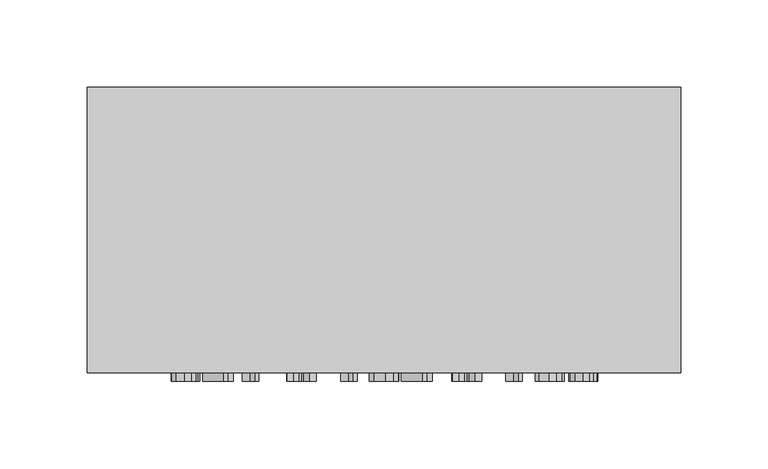
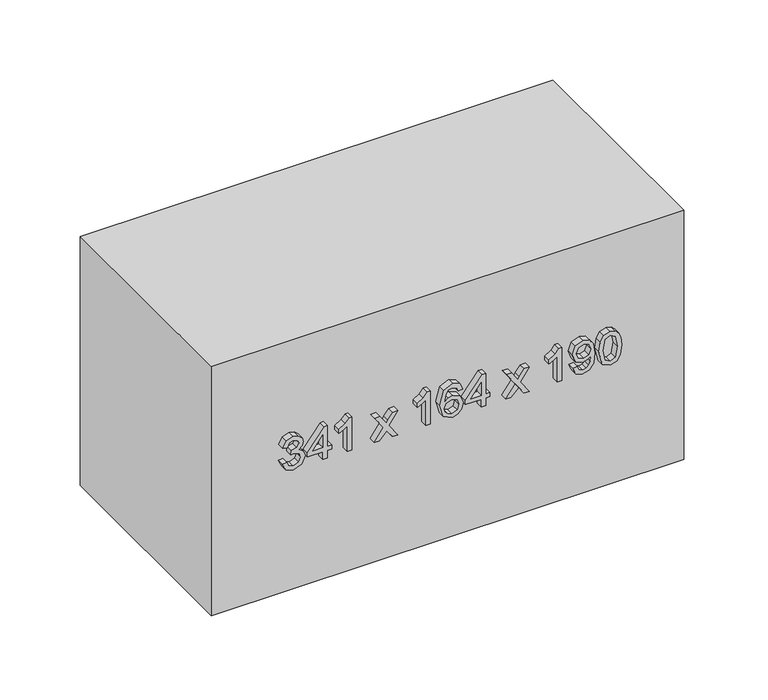
"""IFC4 building model written with IfcOpenShell, lengths in millimetres: furniture geometry."""

from ifc_helpers import new_model, si_unit, frame, origin, origin_with_axes, place, context, project, spatial, polyline, outline, extrude, source, transform, mapped, element, save


def furniture_fb84c93d(model_context):
    return source(origin(), model_context, "Body", "SweptSolid", [
        extrude(outline(polyline([(101.6709268, -77.5345978), (96.5757612, -75.0391316), (94.6075925, -69.5331644), (96.9129864, -63.4569801), (102.5293182, -61.0534844), (106.6128083, -62.2552323), (108.7587866, -65.6765349), (110.8373199, -63.1013609), (113.7313249, -62.2307068), (116.8981758, -63.1473461), (119.2526205, -65.7960965), (120.1140775, -69.5822154), (118.3666381, -74.5731478), (113.4431507, -77.1421904), (113.0507432, -74.0029307), (115.9937992, -72.4639577), (116.9748178, -69.4718508), (116.0029962, -66.5165321), (113.5473839, -65.3699665), (110.7760062, -66.9518591), (109.9114835, -71.0169551), (106.7722238, -71.366443), (107.1155804, -69.1652824), (105.8310591, -65.5968271), (102.5845005, -64.1927441), (99.1386724, -65.6090898), (97.7468522, -69.4227998), (98.7585277, -72.6632271), (102.0633343, -74.3953381), (101.6709268, -77.5345978)])), frame((0.0, -169.0, 0.0), z_axis=(0.0, 1.0, 0.0), x_axis=(0.0, 0.0, 1.0)), (0.0, 0.0, 1.0), 5.0),
        extrude(outline(polyline([(95.0, -48.1040382), (95.0, -44.9647785), (100.8861119, -44.9647785), (100.8861119, -41.8255188), (104.0253716, -41.8255188), (104.0253716, -44.9647785), (119.7216701, -44.9647785), (119.7216701, -47.3192233), (104.0253716, -59.4838546), (100.8861119, -59.4838546), (100.8861119, -48.1040382), (95.0, -48.1040382)]), holes=[polyline([(104.0253716, -48.1040382), (104.0253716, -55.6210937), (113.7251936, -48.1040382), (104.0253716, -48.1040382)])]), frame((0.0, -169.0, 0.0), z_axis=(0.0, 1.0, 0.0), x_axis=(0.0, 0.0, 1.0)), (0.0, 0.0, 1.0), 5.0),
        extrude(outline(polyline([(95.0, -27.3064428), (120.1140775, -27.3064428), (120.1140775, -29.3297937), (116.7724827, -32.1226312), (113.8355582, -36.7242218), (110.8679767, -36.7242218), (112.452935, -33.4194152), (114.5713221, -30.4457024), (95.0, -30.4457024), (95.0, -27.3064428)])), frame((0.0, -169.0, 0.0), z_axis=(0.0, 1.0, 0.0), x_axis=(0.0, 0.0, 1.0)), (0.0, 0.0, 1.0), 5.0),
        extrude(outline(polyline([(95.0, -11.2177368), (95.0, -7.440815), (100.5734122, -1.9655047), (95.0, 1.8788622), (95.0, 5.655784), (104.2706263, -0.7331), (113.4431507, 5.9010387), (113.4431507, 2.1241169), (108.648422, -1.3462366), (106.9439021, -2.5786413), (109.0285667, -4.0011184), (113.4431507, -7.0484076), (113.4431507, -10.8253294), (104.2706263, -4.5100218), (95.0, -11.2177368)])), frame((0.0, -169.0, 0.0), z_axis=(0.0, 1.0, 0.0), x_axis=(0.0, 0.0, 1.0)), (0.0, 0.0, 1.0), 5.0),
        extrude(outline(polyline([(95.0, 29.2002317), (120.1140775, 29.2002317), (120.1140775, 27.1768807), (116.7724827, 24.3840433), (113.8355582, 19.7824526), (110.8679767, 19.7824526), (112.452935, 23.0872592), (114.5713221, 26.060972), (95.0, 26.060972), (95.0, 29.2002317)])), frame((0.0, -169.0, 0.0), z_axis=(0.0, 1.0, 0.0), x_axis=(0.0, 0.0, 1.0)), (0.0, 0.0, 1.0), 5.0),
        extrude(outline(polyline([(113.4431507, 52.7446794), (118.3421126, 50.4270228), (120.1140775, 45.4667473), (117.2507293, 39.0104182), (106.7231729, 36.263566), (97.4280212, 38.7375724), (94.6075925, 45.1356535), (95.6713846, 49.2498004), (98.7370679, 52.1008859), (103.0688784, 53.1370869), (108.8507571, 50.9359263), (111.0887059, 45.6016373), (110.2701685, 42.1711377), (107.7655052, 39.4028257), (113.3603772, 40.2949395), (116.2145284, 42.4378522), (116.9748178, 45.2705435), (115.6688368, 48.4159346), (113.0507432, 49.6054197), (113.4431507, 52.7446794)]), holes=[polyline([(103.1179294, 39.4028257), (106.615874, 40.9632585), (107.9494462, 44.7616401), (106.615874, 48.6090726), (102.9646452, 49.9978272), (99.1509352, 48.5906785), (97.7468522, 44.8903988), (98.4243682, 42.0607731), (100.3986683, 40.1293926), (103.1179294, 39.4028257)])]), frame((0.0, -169.0, 0.0), z_axis=(0.0, 1.0, 0.0), x_axis=(0.0, 0.0, 1.0)), (0.0, 0.0, 1.0), 5.0),
        extrude(outline(polyline([(95.0, 66.0865331), (95.0, 69.2257928), (100.8861119, 69.2257928), (100.8861119, 72.3650525), (104.0253716, 72.3650525), (104.0253716, 69.2257928), (119.7216701, 69.2257928), (119.7216701, 66.871348), (104.0253716, 54.7067167), (100.8861119, 54.7067167), (100.8861119, 66.0865331), (95.0, 66.0865331)]), holes=[polyline([(104.0253716, 66.0865331), (104.0253716, 58.5694777), (113.7251936, 66.0865331), (104.0253716, 66.0865331)])]), frame((0.0, -169.0, 0.0), z_axis=(0.0, 1.0, 0.0), x_axis=(0.0, 0.0, 1.0)), (0.0, 0.0, 1.0), 5.0),
        extrude(outline(polyline([(95.0, 83.7448689), (95.0, 87.5217907), (100.5734122, 92.997101), (95.0, 96.8414679), (95.0, 100.6183897), (104.2706263, 94.2295057), (113.4431507, 100.8636444), (113.4431507, 97.0867225), (108.648422, 93.6163691), (106.9439021, 92.3839644), (109.0285667, 90.9614873), (113.4431507, 87.9141981), (113.4431507, 84.1372763), (104.2706263, 90.4525839), (95.0, 83.7448689)])), frame((0.0, -169.0, 0.0), z_axis=(0.0, 1.0, 0.0), x_axis=(0.0, 0.0, 1.0)), (0.0, 0.0, 1.0), 5.0),
        extrude(outline(polyline([(95.0, 124.1628374), (120.1140775, 124.1628374), (120.1140775, 122.1394864), (116.7724827, 119.3466489), (113.8355582, 114.7450583), (110.8679767, 114.7450583), (112.452935, 118.0498649), (114.5713221, 121.0235777), (95.0, 121.0235777), (95.0, 124.1628374)])), frame((0.0, -169.0, 0.0), z_axis=(0.0, 1.0, 0.0), x_axis=(0.0, 0.0, 1.0)), (0.0, 0.0, 1.0), 5.0),
        extrude(outline(polyline([(101.2785194, 132.0109866), (96.3580977, 134.2611982), (94.6075925, 139.0865837), (96.0913833, 143.9334289), (100.410931, 147.0512289), (108.0352854, 148.0996925), (115.0618315, 147.0481632), (118.8019651, 143.9702171), (120.1140775, 139.4973852), (117.8148151, 133.865725), (111.7447621, 131.6185792), (105.8647816, 133.7614918), (103.6329642, 139.0068759), (104.5465378, 142.4496382), (106.3123714, 144.978827), (102.6703396, 144.5251058), (99.9418815, 143.4981019), (98.3446605, 141.7751879), (97.7468522, 139.2337365), (98.6757543, 136.5604606), (101.6709268, 135.1502463), (101.2785194, 132.0109866)]), holes=[polyline([(111.8183385, 144.9604329), (108.1119274, 143.5410215), (106.7722238, 139.9204495), (108.1119274, 136.1496591), (111.591478, 134.7578389), (115.4756987, 136.2293668), (116.9748178, 140.0062887), (115.5829976, 143.6054008), (111.8183385, 144.9604329)])]), frame((0.0, -169.0, 0.0), z_axis=(0.0, 1.0, 0.0), x_axis=(0.0, 0.0, 1.0)), (0.0, 0.0, 1.0), 5.0),
        extrude(outline(polyline([(107.3547037, 150.8465448), (96.9988255, 153.3481423), (94.6075925, 159.0871015), (95.9840843, 163.6825607), (100.159545, 166.4140845), (107.3547037, 167.3276582), (113.256144, 166.7574411), (116.9717522, 165.2859131), (119.3047371, 162.7536587), (120.1140775, 159.0871015), (118.7467828, 154.5100363), (114.5805192, 151.7693154), (107.3547037, 150.8465448)]), holes=[polyline([(107.360835, 153.9858045), (115.2948234, 155.5063834), (116.9748178, 159.0503133), (115.0679628, 162.7659214), (107.360835, 164.1883985), (99.5709338, 162.7168705), (97.7468522, 159.0871015), (99.5648024, 155.4573324), (107.360835, 153.9858045)])]), frame((0.0, -169.0, 0.0), z_axis=(0.0, 1.0, 0.0), x_axis=(0.0, 0.0, 1.0)), (0.0, 0.0, 1.0), 5.0),
        extrude(outline(polyline([(215.2003264, 0.0), (215.2003264, -164.0), (-125.7996736, -164.0), (-125.7996736, 0.0), (215.2003264, 0.0)])), origin_with_axes(), (0.0, 0.0, 1.0), 190.0),
    ])


if __name__ == "__main__":
    model = new_model("IFC4")
    model_context = context("Model", 3, world=origin())
    ifc_project = project(units=[si_unit("LENGTHUNIT", "METRE", prefix="MILLI")], contexts=[model_context])
    site = spatial("IfcSite", under=ifc_project)
    building = spatial("IfcBuilding", under=site)
    placement = place(None, origin())
    furniture_shape = furniture_fb84c93d(model_context)
    element("IfcFurniture", 1, at=placement, inside=building, context=model_context, shape_type="MappedRepresentation", body=[
        mapped(furniture_shape, transform((0.0, 0.0, 0.0), x_axis=(1.0, 0.0, 0.0), y_axis=(0.0, 1.0, 0.0), z_axis=(0.0, 0.0, 1.0))),
    ])
    save(model, "model.ifc")
